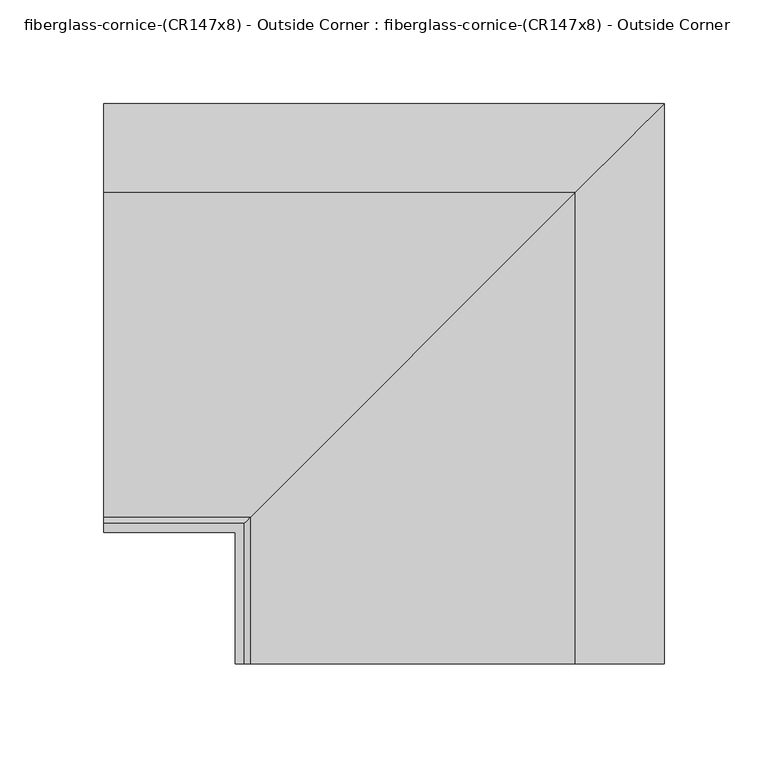
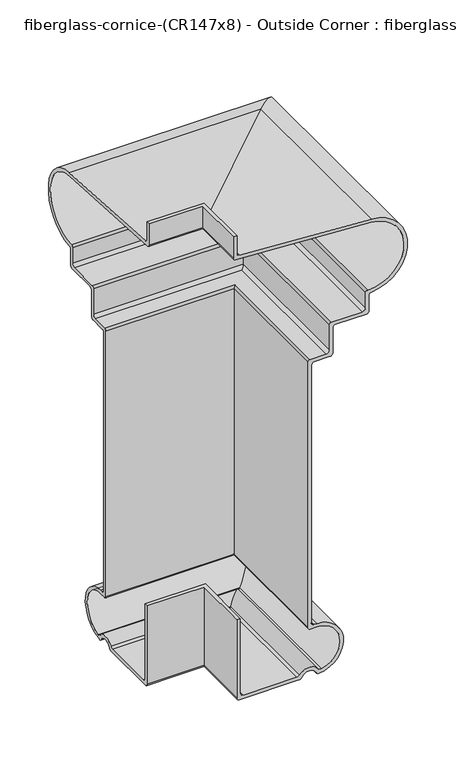
"""IFC4 building model written with IfcOpenShell, lengths in millimetres: furniture geometry, fiberglass-cornice-(CR147x8) - Outside Corner : fiberglass-cornice-(CR147x8) - Outside Corner."""

from ifc_helpers import new_model, si_unit, frame, origin, place, context, project, spatial, polyline, circle_curve, ellipse_curve, source, transform, mapped, element, save
from ifc_brep_helpers import plane_surface, cylinder_surface, revolved_surface, advanced_brep


def fiberglass_cornice_cr147x8_outside_corner_fiberglass_cornice_9eb4e206(model_context):
    return source(origin(), model_context, "Body", "AdvancedBrep", [
        advanced_brep(
        [(-196.9488213, 101.6, 330.1999904), (-196.9488213, 105.7275024, 330.1999904), (-196.9488213, 105.7275024, 307.6054193), (-196.9488213, 108.7122646, 304.6206571), (-196.9488213, 265.6117565, 295.1944431), (-196.9488213, 265.8602187, 203.2958774), (-196.9488213, 262.8901688, 200.3258275), (-196.9488213, 262.8901688, 180.9749641), (-196.9488213, 259.7151783, 177.7999736), (-196.9488213, 223.2025352, 177.7999736), (-196.9488213, 220.027515, 174.6249534), (-196.9488213, 220.027515, 142.8749897), (-196.9488213, 216.8524948, 139.6999694), (-196.9488213, 197.8026119, 139.6999694), (-196.9488213, 194.6275917, 136.5249492), (-196.9488213, 194.6275917, -187.3250119), (-196.9488213, 197.8026119, -190.5000322), (-196.9488213, 200.9775574, -190.5000322), (-196.9488213, 203.5253548, -253.8953323), (-196.9488213, 200.2968418, -252.1216536), (-196.9488213, 182.5782039, -252.1845378), (-196.9488213, 179.709026, -254.0000342), (-196.9488213, 108.9025227, -254.0000342), (-196.9488213, 105.7275024, -250.825014), (-196.9488213, 105.7275024, -152.4000354), (-196.9488213, 109.8550049, -152.4000354), (-196.9488213, 109.8550049, -246.0623668), (-196.9488213, 113.6651722, -249.8725341), (-196.9488213, 177.0065514, -249.8725341), (-196.9488213, 180.1059107, -248.2782681), (-196.9488213, 202.5399239, -247.9272954), (-196.9488213, 206.3031767, -249.3542827), (-196.9488213, 200.9823413, -194.6275346), (-196.9488213, 193.0399624, -194.6275346), (-196.9488213, 190.5000893, -192.0876615), (-196.9488213, 190.5000893, 141.2875988), (-196.9488213, 193.0399624, 143.8274719), (-196.9488213, 212.0900241, 143.8274719), (-196.9488213, 215.9000126, 147.6374604), (-196.9488213, 215.9000126, 179.3873645), (-196.9488213, 218.4401241, 181.9274761), (-196.9488213, 254.9526778, 181.9274761), (-196.9488213, 258.7626663, 185.7374646), (-196.9488213, 258.7626663, 204.7235973), (-196.9488213, 261.4480275, 207.3536327), (-196.9488213, 265.403339, 291.0720445), (-196.9488213, 103.9877621, 300.7695414), (-196.9488213, 101.6, 303.1573035), (-133.3496026, 38.0007813, 330.1999904), (-133.3496026, 38.0007813, 303.1573035), (-130.9618405, 38.0007813, 300.7695414), (30.4537364, 38.0007813, 291.0720445), (26.4984249, 38.0007813, 207.3536327), (23.8130637, 38.0007813, 204.7235973), (23.8130637, 38.0007813, 185.7374646), (20.0030752, 38.0007813, 181.9274761), (-16.5094785, 38.0007813, 181.9274761), (-19.04959, 38.0007813, 179.3873645), (-19.04959, 38.0007813, 147.6374604), (-22.8595785, 38.0007813, 143.8274719), (-41.9096402, 38.0007813, 143.8274719), (-44.4495133, 38.0007813, 141.2875988), (-44.4495133, 38.0007813, -192.0876615), (-41.9096402, 38.0007813, -194.6275346), (-33.9672613, 38.0007813, -194.6275346), (-28.6464259, 38.0007813, -249.3542827), (-32.4096787, 38.0007813, -247.9272954), (-54.8436918, 38.0007813, -248.2782681), (-57.9430512, 38.0007813, -249.8725341), (-121.2844304, 38.0007813, -249.8725341), (-125.0945977, 38.0007813, -246.0623668), (-125.0945977, 38.0007813, -152.4000354), (-129.2221002, 38.0007813, -152.4000354), (-129.2221002, 38.0007813, -250.825014), (-126.0470799, 38.0007813, -254.0000342), (-55.2405766, 38.0007813, -254.0000342), (-52.3713987, 38.0007813, -252.1845378), (-34.6527608, 38.0007813, -252.1216536), (-31.4242478, 38.0007813, -253.8953323), (-33.9720452, 38.0007813, -190.5000322), (-37.1469907, 38.0007813, -190.5000322), (-40.3220109, 38.0007813, -187.3250119), (-40.3220109, 38.0007813, 136.5249492), (-37.1469907, 38.0007813, 139.6999694), (-18.0971078, 38.0007813, 139.6999694), (-14.9220876, 38.0007813, 142.8749897), (-14.9220876, 38.0007813, 174.6249534), (-11.7470673, 38.0007813, 177.7999736), (24.7655758, 38.0007813, 177.7999736), (27.9405662, 38.0007813, 180.9749641), (27.9405662, 38.0007813, 200.3258275), (30.9106161, 38.0007813, 203.2958774), (30.6621539, 38.0007813, 295.1944431), (-126.237338, 38.0007813, 304.6206571), (-129.2221002, 38.0007813, 307.6054193), (-129.2221002, 38.0007813, 330.1999904), (-133.3496026, 101.6, 330.1999904), (-129.2221002, 105.7275024, 330.1999904), (-129.2221002, 105.7275024, 307.6054193), (-126.237338, 108.7122646, 304.6206571), (30.6621539, 265.6117565, 295.1944431), (30.9106161, 265.8602187, 203.2958774), (27.9405662, 262.8901688, 200.3258275), (27.9405662, 262.8901688, 180.9749641), (24.7655758, 259.7151783, 177.7999736), (-11.7470673, 223.2025352, 177.7999736), (-14.9220876, 220.027515, 174.6249534), (-14.9220876, 220.027515, 142.8749897), (-18.0971078, 216.8524948, 139.6999694), (-37.1469907, 197.8026119, 139.6999694), (-40.3220109, 194.6275917, 136.5249492), (-40.3220109, 194.6275917, -187.3250119), (-37.1469907, 197.8026119, -190.5000322), (-33.9720452, 200.9775574, -190.5000322), (-31.4242478, 203.5253548, -253.8953323), (-34.6527608, 200.2968418, -252.1216536), (-52.3713987, 182.5782039, -252.1845378), (-55.2405766, 179.709026, -254.0000342), (-126.0470799, 108.9025227, -254.0000342), (-129.2221002, 105.7275024, -250.825014), (-129.2221002, 105.7275024, -152.4000354), (-125.0945977, 109.8550049, -152.4000354), (-125.0945977, 109.8550049, -246.0623668), (-121.2844304, 113.6651722, -249.8725341), (-57.9430512, 177.0065514, -249.8725341), (-54.8436918, 180.1059107, -248.2782681), (-32.4096787, 202.5399239, -247.9272954), (-28.6464259, 206.3031767, -249.3542827), (-33.9672613, 200.9823413, -194.6275346), (-41.9096402, 193.0399624, -194.6275346), (-44.4495133, 190.5000893, -192.0876615), (-44.4495133, 190.5000893, 141.2875988), (-41.9096402, 193.0399624, 143.8274719), (-22.8595785, 212.0900241, 143.8274719), (-19.04959, 215.9000126, 147.6374604), (-19.04959, 215.9000126, 179.3873645), (-16.5094785, 218.4401241, 181.9274761), (20.0030752, 254.9526778, 181.9274761), (23.8130637, 258.7626663, 185.7374646), (23.8130637, 258.7626663, 204.7235973), (26.4984249, 261.4480275, 207.3536327), (30.4537364, 265.403339, 291.0720445), (-130.9618405, 103.9877621, 300.7695414), (-133.3496026, 101.6, 303.1573035)],
        [
            (0, 1),
            (1, 2),
            (2, 3, circle_curve(frame((-196.9488213, 108.7122646, 307.6054193), z_axis=(1.0, 0.0, 0.0), x_axis=(0.0, 1.0, 0.0)), 2.9847622)),
            (3, 4),
            (4, 5, circle_curve(frame((-196.9488213, 262.8900574, 249.2374658), z_axis=(-1.0, 0.0, 0.0), x_axis=(0.0, 1.0, 0.0)), 46.0375)),
            (5, 6, circle_curve(frame((-196.9488213, 265.8602187, 200.3258275), z_axis=(1.0, 0.0, 0.0), x_axis=(0.0, 1.0, 0.0)), 2.9700499)),
            (6, 7),
            (7, 8, circle_curve(frame((-196.9488213, 259.7151783, 180.9749641), z_axis=(-1.0, 0.0, 0.0), x_axis=(0.0, 1.0, 0.0)), 3.1749904)),
            (8, 9),
            (9, 10, circle_curve(frame((-196.9488213, 223.2025352, 174.6249534), z_axis=(1.0, 0.0, 0.0), x_axis=(0.0, 1.0, 0.0)), 3.1750202)),
            (10, 11),
            (11, 12, circle_curve(frame((-196.9488213, 216.8524948, 142.8749897), z_axis=(-1.0, 0.0, 0.0), x_axis=(0.0, 1.0, 0.0)), 3.1750202)),
            (12, 13),
            (13, 14, circle_curve(frame((-196.9488213, 197.8026119, 136.5249492), z_axis=(1.0, 0.0, 0.0), x_axis=(0.0, 1.0, 0.0)), 3.1750202)),
            (14, 15),
            (15, 16, circle_curve(frame((-196.9488213, 197.8026119, -187.3250119), z_axis=(1.0, 0.0, 0.0), x_axis=(0.0, 1.0, 0.0)), 3.1750202)),
            (16, 17),
            (17, 18, circle_curve(frame((-196.9488213, 200.9775574, -222.248879), z_axis=(-1.0, 0.0, 0.0), x_axis=(0.0, 1.0, 0.0)), 31.7488469)),
            (18, 19, circle_curve(frame((-196.9488213, 203.156346, -250.7418489), z_axis=(-1.0, 0.0, 0.0), x_axis=(0.0, 1.0, 0.0)), 3.175)),
            (19, 20, circle_curve(frame((-196.9488213, 191.4525574, -256.3893115), z_axis=(1.0, 0.0, 0.0), x_axis=(0.0, 1.0, 0.0)), 9.8200953)),
            (20, 21, circle_curve(frame((-196.9488213, 179.709026, -250.8250873), z_axis=(-1.0, 0.0, 0.0), x_axis=(0.0, 1.0, 0.0)), 3.1749469)),
            (21, 22),
            (22, 23, circle_curve(frame((-196.9488213, 108.9025227, -250.825014), z_axis=(-1.0, 0.0, 0.0), x_axis=(0.0, 1.0, 0.0)), 3.1750202)),
            (23, 24),
            (24, 25),
            (25, 26),
            (26, 27, circle_curve(frame((-196.9488213, 113.6651722, -246.0623668), z_axis=(1.0, 0.0, 0.0), x_axis=(0.0, 1.0, 0.0)), 3.8101673)),
            (27, 28),
            (28, 29, circle_curve(frame((-196.9488213, 177.0065514, -246.0627203), z_axis=(1.0, 0.0, 0.0), x_axis=(0.0, 1.0, 0.0)), 3.8098137)),
            (29, 30, circle_curve(frame((-196.9488213, 191.4525574, -256.3893115), z_axis=(-1.0, 0.0, 0.0), x_axis=(0.0, 1.0, 0.0)), 13.9475953)),
            (30, 31, circle_curve(frame((-196.9488213, 205.5686085, -245.6157656), z_axis=(1.0, 0.0, 0.0), x_axis=(0.0, 1.0, 0.0)), 3.81)),
            (31, 32, circle_curve(frame((-196.9488213, 200.9775574, -222.2500342), z_axis=(1.0, 0.0, 0.0), x_axis=(0.0, 1.0, 0.0)), 27.6225)),
            (32, 33),
            (33, 34, circle_curve(frame((-196.9488213, 193.0399624, -192.0876615), z_axis=(-1.0, 0.0, 0.0), x_axis=(0.0, 1.0, 0.0)), 2.5398731)),
            (34, 35),
            (35, 36, circle_curve(frame((-196.9488213, 193.0399624, 141.2875988), z_axis=(-1.0, 0.0, 0.0), x_axis=(0.0, 1.0, 0.0)), 2.5398731)),
            (36, 37),
            (37, 38, circle_curve(frame((-196.9488213, 212.0900241, 147.6374604), z_axis=(1.0, 0.0, 0.0), x_axis=(0.0, 1.0, 0.0)), 3.8099885)),
            (38, 39),
            (39, 40, circle_curve(frame((-196.9488213, 218.4401241, 179.3873645), z_axis=(-1.0, 0.0, 0.0), x_axis=(0.0, 1.0, 0.0)), 2.5401115)),
            (40, 41),
            (41, 42, circle_curve(frame((-196.9488213, 254.9526778, 185.7374646), z_axis=(1.0, 0.0, 0.0), x_axis=(0.0, 1.0, 0.0)), 3.8099885)),
            (42, 43),
            (43, 44, circle_curve(frame((-196.9488213, 261.3932717, 204.7235973), z_axis=(-1.0, 0.0, 0.0), x_axis=(0.0, 1.0, 0.0)), 2.6306053)),
            (44, 45, circle_curve(frame((-196.9488213, 262.8900493, 249.2381449), z_axis=(1.0, 0.0, 0.0), x_axis=(0.0, 1.0, 0.0)), 41.9093281)),
            (45, 46),
            (46, 47, circle_curve(frame((-196.9488213, 103.9877621, 303.1573035), z_axis=(-1.0, 0.0, 0.0), x_axis=(0.0, 1.0, 0.0)), 2.3877621)),
            (47, 0),
            (48, 49),
            (49, 50, circle_curve(frame((-130.9618405, 38.0007813, 303.1573035), z_axis=(0.0, -1.0, 0.0), x_axis=(1.0, 0.0, 0.0)), 2.3877621)),
            (50, 51),
            (51, 52, circle_curve(frame((27.9404467, 38.0007813, 249.2381449), z_axis=(0.0, 1.0, 0.0), x_axis=(1.0, 0.0, 0.0)), 41.9093281)),
            (52, 53, circle_curve(frame((26.4436691, 38.0007813, 204.7235973), z_axis=(0.0, -1.0, 0.0), x_axis=(1.0, 0.0, 0.0)), 2.6306053)),
            (53, 54),
            (54, 55, circle_curve(frame((20.0030752, 38.0007813, 185.7374646), z_axis=(0.0, 1.0, 0.0), x_axis=(1.0, 0.0, 0.0)), 3.8099885)),
            (55, 56),
            (56, 57, circle_curve(frame((-16.5094785, 38.0007813, 179.3873645), z_axis=(0.0, -1.0, 0.0), x_axis=(1.0, 0.0, 0.0)), 2.5401115)),
            (57, 58),
            (58, 59, circle_curve(frame((-22.8595785, 38.0007813, 147.6374604), z_axis=(0.0, 1.0, 0.0), x_axis=(1.0, 0.0, 0.0)), 3.8099885)),
            (59, 60),
            (60, 61, circle_curve(frame((-41.9096402, 38.0007813, 141.2875988), z_axis=(0.0, -1.0, 0.0), x_axis=(1.0, 0.0, 0.0)), 2.5398731)),
            (61, 62),
            (62, 63, circle_curve(frame((-41.9096402, 38.0007813, -192.0876615), z_axis=(0.0, -1.0, 0.0), x_axis=(1.0, 0.0, 0.0)), 2.5398731)),
            (63, 64),
            (64, 65, circle_curve(frame((-33.9720452, 38.0007813, -222.2500342), z_axis=(0.0, 1.0, 0.0), x_axis=(1.0, 0.0, 0.0)), 27.6225)),
            (65, 66, circle_curve(frame((-29.3809941, 38.0007813, -245.6157656), z_axis=(0.0, 1.0, 0.0), x_axis=(1.0, 0.0, 0.0)), 3.81)),
            (66, 67, circle_curve(frame((-43.4970452, 38.0007813, -256.3893115), z_axis=(0.0, -1.0, 0.0), x_axis=(1.0, 0.0, 0.0)), 13.9475953)),
            (67, 68, circle_curve(frame((-57.9430512, 38.0007813, -246.0627203), z_axis=(0.0, 1.0, 0.0), x_axis=(1.0, 0.0, 0.0)), 3.8098137)),
            (68, 69),
            (69, 70, circle_curve(frame((-121.2844304, 38.0007813, -246.0623668), z_axis=(0.0, 1.0, 0.0), x_axis=(1.0, 0.0, 0.0)), 3.8101673)),
            (70, 71),
            (71, 72),
            (72, 73),
            (73, 74, circle_curve(frame((-126.0470799, 38.0007813, -250.825014), z_axis=(0.0, -1.0, 0.0), x_axis=(1.0, 0.0, 0.0)), 3.1750202)),
            (74, 75),
            (75, 76, circle_curve(frame((-55.2405766, 38.0007813, -250.8250873), z_axis=(0.0, -1.0, 0.0), x_axis=(1.0, 0.0, 0.0)), 3.1749469)),
            (76, 77, circle_curve(frame((-43.4970452, 38.0007813, -256.3893115), z_axis=(0.0, 1.0, 0.0), x_axis=(1.0, 0.0, 0.0)), 9.8200953)),
            (77, 78, circle_curve(frame((-31.7932566, 38.0007813, -250.7418489), z_axis=(0.0, -1.0, 0.0), x_axis=(1.0, 0.0, 0.0)), 3.175)),
            (78, 79, circle_curve(frame((-33.9720452, 38.0007813, -222.248879), z_axis=(0.0, -1.0, 0.0), x_axis=(1.0, 0.0, 0.0)), 31.7488469)),
            (79, 80),
            (80, 81, circle_curve(frame((-37.1469907, 38.0007813, -187.3250119), z_axis=(0.0, 1.0, 0.0), x_axis=(1.0, 0.0, 0.0)), 3.1750202)),
            (81, 82),
            (82, 83, circle_curve(frame((-37.1469907, 38.0007813, 136.5249492), z_axis=(0.0, 1.0, 0.0), x_axis=(1.0, 0.0, 0.0)), 3.1750202)),
            (83, 84),
            (84, 85, circle_curve(frame((-18.0971078, 38.0007813, 142.8749897), z_axis=(0.0, -1.0, 0.0), x_axis=(1.0, 0.0, 0.0)), 3.1750202)),
            (85, 86),
            (86, 87, circle_curve(frame((-11.7470673, 38.0007813, 174.6249534), z_axis=(0.0, 1.0, 0.0), x_axis=(1.0, 0.0, 0.0)), 3.1750202)),
            (87, 88),
            (88, 89, circle_curve(frame((24.7655758, 38.0007813, 180.9749641), z_axis=(0.0, -1.0, 0.0), x_axis=(1.0, 0.0, 0.0)), 3.1749904)),
            (89, 90),
            (90, 91, circle_curve(frame((30.9106161, 38.0007813, 200.3258275), z_axis=(0.0, 1.0, 0.0), x_axis=(1.0, 0.0, 0.0)), 2.9700499)),
            (91, 92, circle_curve(frame((27.9404548, 38.0007813, 249.2374658), z_axis=(0.0, -1.0, 0.0), x_axis=(1.0, 0.0, 0.0)), 46.0375)),
            (92, 93),
            (93, 94, circle_curve(frame((-126.237338, 38.0007813, 307.6054193), z_axis=(0.0, 1.0, 0.0), x_axis=(1.0, 0.0, 0.0)), 2.9847622)),
            (94, 95),
            (95, 48),
            (0, 96),
            (96, 48),
            (95, 97),
            (97, 1),
            (97, 98),
            (98, 2),
            (98, 99, ellipse_curve(frame((-126.237338, 108.7122646, 307.6054193), z_axis=(0.7071067811865563, -0.7071067811865387, 0.0), x_axis=(0.7071067811865387, 0.7071067811865565, 0.0)), 4.2210912, 2.9847622)),
            (99, 3),
            (99, 100),
            (100, 4),
            (100, 101, ellipse_curve(frame((27.9404548, 262.8900574, 249.2374658), z_axis=(-0.7071067811865563, 0.7071067811865387, 0.0), x_axis=(-0.7071067811865387, -0.7071067811865565, 0.0)), 65.1068569, 46.0375)),
            (101, 5),
            (101, 102, ellipse_curve(frame((30.9106161, 265.8602187, 200.3258275), z_axis=(0.7071067811865563, -0.7071067811865387, 0.0), x_axis=(0.7071067811865387, 0.7071067811865565, 0.0)), 4.2002849, 2.9700499)),
            (102, 6),
            (102, 103),
            (103, 7),
            (103, 104, ellipse_curve(frame((24.7655758, 259.7151783, 180.9749641), z_axis=(-0.7071067811865563, 0.7071067811865387, 0.0), x_axis=(-0.7071067811865387, -0.7071067811865565, 0.0)), 4.4901145, 3.1749904)),
            (104, 8),
            (104, 88),
            (87, 105),
            (105, 9),
            (105, 106, ellipse_curve(frame((-11.7470673, 223.2025352, 174.6249534), z_axis=(0.7071067811865563, -0.7071067811865387, 0.0), x_axis=(0.7071067811865387, 0.7071067811865565, 0.0)), 4.4901567, 3.1750202)),
            (106, 10),
            (106, 107),
            (107, 11),
            (107, 108, ellipse_curve(frame((-18.0971078, 216.8524948, 142.8749897), z_axis=(-0.7071067811865563, 0.7071067811865387, 0.0), x_axis=(-0.7071067811865387, -0.7071067811865565, 0.0)), 4.4901567, 3.1750202)),
            (108, 12),
            (108, 84),
            (83, 109),
            (109, 13),
            (109, 110, ellipse_curve(frame((-37.1469907, 197.8026119, 136.5249492), z_axis=(0.7071067811865563, -0.7071067811865387, 0.0), x_axis=(0.7071067811865387, 0.7071067811865565, 0.0)), 4.4901567, 3.1750202)),
            (110, 14),
            (110, 111),
            (111, 15),
            (111, 112, ellipse_curve(frame((-37.1469907, 197.8026119, -187.3250119), z_axis=(0.7071067811865563, -0.7071067811865387, 0.0), x_axis=(0.7071067811865387, 0.7071067811865565, 0.0)), 4.4901567, 3.1750202)),
            (112, 16),
            (112, 80),
            (79, 113),
            (113, 17),
            (113, 114, ellipse_curve(frame((-33.9720452, 200.9775574, -222.248879), z_axis=(-0.7071067811865563, 0.7071067811865387, 0.0), x_axis=(-0.7071067811865387, -0.7071067811865565, 0.0)), 44.8996498, 31.7488469)),
            (114, 18),
            (114, 115, ellipse_curve(frame((-31.7932566, 203.156346, -250.7418489), z_axis=(-0.7071067811865563, 0.7071067811865387, 0.0), x_axis=(-0.7071067811865387, -0.7071067811865565, 0.0)), 4.4901281, 3.175)),
            (115, 19),
            (115, 116, ellipse_curve(frame((-43.4970452, 191.4525574, -256.3893115), z_axis=(0.7071067811865563, -0.7071067811865387, 0.0), x_axis=(0.7071067811865387, 0.7071067811865565, 0.0)), 13.8877119, 9.8200953)),
            (116, 20),
            (116, 117, ellipse_curve(frame((-55.2405766, 179.709026, -250.8250873), z_axis=(-0.7071067811865563, 0.7071067811865387, 0.0), x_axis=(-0.7071067811865387, -0.7071067811865565, 0.0)), 4.490053, 3.1749469)),
            (117, 21),
            (117, 75),
            (74, 118),
            (118, 22),
            (118, 119, ellipse_curve(frame((-126.0470799, 108.9025227, -250.825014), z_axis=(-0.7071067811865563, 0.7071067811865387, 0.0), x_axis=(-0.7071067811865387, -0.7071067811865565, 0.0)), 4.4901567, 3.1750202)),
            (119, 23),
            (119, 120),
            (120, 24),
            (120, 72),
            (71, 121),
            (121, 25),
            (121, 122),
            (122, 26),
            (122, 123, ellipse_curve(frame((-121.2844304, 113.6651722, -246.0623668), z_axis=(0.7071067811865563, -0.7071067811865387, 0.0), x_axis=(0.7071067811865387, 0.7071067811865565, 0.0)), 5.3883903, 3.8101673)),
            (123, 27),
            (123, 69),
            (68, 124),
            (124, 28),
            (124, 125, ellipse_curve(frame((-57.9430512, 177.0065514, -246.0627203), z_axis=(0.7071067811865563, -0.7071067811865387, 0.0), x_axis=(0.7071067811865387, 0.7071067811865565, 0.0)), 5.3878903, 3.8098137)),
            (125, 29),
            (125, 126, ellipse_curve(frame((-43.4970452, 191.4525574, -256.3893115), z_axis=(-0.7071067811865563, 0.7071067811865387, 0.0), x_axis=(-0.7071067811865387, -0.7071067811865565, 0.0)), 19.7248784, 13.9475953)),
            (126, 30),
            (126, 127, ellipse_curve(frame((-29.3809941, 205.5686085, -245.6157656), z_axis=(0.7071067811865563, -0.7071067811865387, 0.0), x_axis=(0.7071067811865387, 0.7071067811865565, 0.0)), 5.3881537, 3.81)),
            (127, 31),
            (127, 128, ellipse_curve(frame((-33.9720452, 200.9775574, -222.2500342), z_axis=(0.7071067811865563, -0.7071067811865387, 0.0), x_axis=(0.7071067811865387, 0.7071067811865565, 0.0)), 39.0641141, 27.6225)),
            (128, 32),
            (128, 64),
            (63, 129),
            (129, 33),
            (129, 130, ellipse_curve(frame((-41.9096402, 193.0399624, -192.0876615), z_axis=(-0.7071067811865563, 0.7071067811865387, 0.0), x_axis=(-0.7071067811865387, -0.7071067811865565, 0.0)), 3.591923, 2.5398731)),
            (130, 34),
            (130, 131),
            (131, 35),
            (131, 132, ellipse_curve(frame((-41.9096402, 193.0399624, 141.2875988), z_axis=(-0.7071067811865563, 0.7071067811865387, 0.0), x_axis=(-0.7071067811865387, -0.7071067811865565, 0.0)), 3.591923, 2.5398731)),
            (132, 36),
            (132, 60),
            (59, 133),
            (133, 37),
            (133, 134, ellipse_curve(frame((-22.8595785, 212.0900241, 147.6374604), z_axis=(0.7071067811865563, -0.7071067811865387, 0.0), x_axis=(0.7071067811865387, 0.7071067811865565, 0.0)), 5.3881374, 3.8099885)),
            (134, 38),
            (134, 135),
            (135, 39),
            (135, 136, ellipse_curve(frame((-16.5094785, 218.4401241, 179.3873645), z_axis=(-0.7071067811865563, 0.7071067811865387, 0.0), x_axis=(-0.7071067811865387, -0.7071067811865565, 0.0)), 3.5922602, 2.5401115)),
            (136, 40),
            (136, 56),
            (55, 137),
            (137, 41),
            (137, 138, ellipse_curve(frame((20.0030752, 254.9526778, 185.7374646), z_axis=(0.7071067811865563, -0.7071067811865387, 0.0), x_axis=(0.7071067811865387, 0.7071067811865565, 0.0)), 5.3881374, 3.8099885)),
            (138, 42),
            (138, 139),
            (139, 43),
            (139, 140, ellipse_curve(frame((26.4436691, 261.3932717, 204.7235973), z_axis=(-0.7071067811865563, 0.7071067811865387, 0.0), x_axis=(-0.7071067811865387, -0.7071067811865565, 0.0)), 3.7202378, 2.6306053)),
            (140, 44),
            (140, 141, ellipse_curve(frame((27.9404467, 262.8900493, 249.2381449), z_axis=(0.7071067811865563, -0.7071067811865387, 0.0), x_axis=(0.7071067811865387, 0.7071067811865565, 0.0)), 59.2687402, 41.9093281)),
            (141, 45),
            (141, 142),
            (142, 46),
            (142, 143, ellipse_curve(frame((-130.9618405, 103.9877621, 303.1573035), z_axis=(-0.7071067811865563, 0.7071067811865387, 0.0), x_axis=(-0.7071067811865387, -0.7071067811865565, 0.0)), 3.3768055, 2.3877621)),
            (143, 47),
            (143, 96),
            (94, 98),
            (93, 99),
            (92, 100),
            (91, 101),
            (90, 102),
            (89, 103),
            (86, 106),
            (85, 107),
            (82, 110),
            (81, 111),
            (78, 114),
            (77, 115),
            (76, 116),
            (73, 119),
            (70, 122),
            (67, 125),
            (66, 126),
            (65, 127),
            (62, 130),
            (61, 131),
            (58, 134),
            (57, 135),
            (54, 138),
            (53, 139),
            (52, 140),
            (51, 141),
            (50, 142),
            (49, 143),
        ],
        [
            plane_surface(frame((-196.9488213, 101.6, 330.1999904), z_axis=(-1.0, 0.0, 0.0), x_axis=(0.0, 0.0, 1.0))),
            plane_surface(frame((-133.3496026, 38.0007813, 330.1999904), z_axis=(0.0, -1.0, 0.0), x_axis=(0.0, 0.0, 1.0))),
            plane_surface(frame((-196.9488213, 101.6, 330.1999904), z_axis=(0.0, 0.0, 1.0), x_axis=(1.0, 0.0, 0.0))),
            plane_surface(frame((-196.9488213, 105.7275024, 330.1999904), z_axis=(0.0, 1.0, 0.0), x_axis=(1.0, 0.0, 0.0))),
            revolved_surface(polyline([(-123.25257578847317, 111.6970268, 307.6054193), (-196.9488213, 111.6970268, 307.6054193)]), (-196.9488213, 108.7122646, 307.6054193), (1.0, 0.0, 0.0)),
            plane_surface(frame((-196.9488213, 108.7122646, 304.6206571), z_axis=(0.0, 0.05996991114964002, 0.998200185211716), x_axis=(1.0, 0.0, 0.0))),
            cylinder_surface(frame((-196.9488213, 262.8900574, 249.2374658), z_axis=(-1.0, 0.0, 0.0), x_axis=(0.0, 1.0, 0.0)), 46.0375),
            revolved_surface(polyline([(33.88066603570542, 268.8302686, 200.3258275), (-196.9488213, 268.8302686, 200.3258275)]), (-196.9488213, 265.8602187, 200.3258275), (1.0, 0.0, 0.0)),
            plane_surface(frame((-196.9488213, 262.8901688, 200.3258275), z_axis=(0.0, 1.0, 0.0), x_axis=(1.0, 0.0, 0.0))),
            cylinder_surface(frame((-196.9488213, 259.7151783, 180.9749641), z_axis=(-1.0, 0.0, 0.0), x_axis=(0.0, 1.0, 0.0)), 3.1749904),
            plane_surface(frame((-196.9488213, 259.7151783, 177.7999736), z_axis=(0.0, 0.0, -1.0), x_axis=(1.0, 0.0, 0.0))),
            revolved_surface(polyline([(-8.572047048839835, 226.3775554, 174.6249534), (-196.9488213, 226.3775554, 174.6249534)]), (-196.9488213, 223.2025352, 174.6249534), (1.0, 0.0, 0.0)),
            plane_surface(frame((-196.9488213, 220.027515, 174.6249534), z_axis=(0.0, 1.0, 0.0), x_axis=(1.0, 0.0, 0.0))),
            cylinder_surface(frame((-196.9488213, 216.8524948, 142.8749897), z_axis=(-1.0, 0.0, 0.0), x_axis=(0.0, 1.0, 0.0)), 3.1750202),
            plane_surface(frame((-196.9488213, 216.8524948, 139.6999694), z_axis=(0.0, 0.0, -1.0), x_axis=(1.0, 0.0, 0.0))),
            revolved_surface(polyline([(-33.97197044883984, 200.9776321, 136.5249492), (-196.9488213, 200.9776321, 136.5249492)]), (-196.9488213, 197.8026119, 136.5249492), (1.0, 0.0, 0.0)),
            plane_surface(frame((-196.9488213, 194.6275917, 136.5249492), z_axis=(0.0, 1.0, 0.0), x_axis=(1.0, 0.0, 0.0))),
            revolved_surface(polyline([(-33.97197044883984, 200.9776321, -187.3250119), (-196.9488213, 200.9776321, -187.3250119)]), (-196.9488213, 197.8026119, -187.3250119), (1.0, 0.0, 0.0)),
            plane_surface(frame((-196.9488213, 197.8026119, -190.5000322), z_axis=(0.0, 0.0, 1.0), x_axis=(1.0, 0.0, 0.0))),
            cylinder_surface(frame((-196.9488213, 200.9775574, -222.248879), z_axis=(-1.0, 0.0, 0.0), x_axis=(0.0, 1.0, 0.0)), 31.7488469),
            cylinder_surface(frame((-196.9488213, 203.156346, -250.7418489), z_axis=(-1.0, 0.0, 0.0), x_axis=(0.0, 1.0, 0.0)), 3.175),
            revolved_surface(polyline([(-33.676949940345025, 201.27265269999998, -256.3893115), (-196.9488213, 201.27265269999998, -256.3893115)]), (-196.9488213, 191.4525574, -256.3893115), (1.0, 0.0, 0.0)),
            cylinder_surface(frame((-196.9488213, 179.709026, -250.8250873), z_axis=(-1.0, 0.0, 0.0), x_axis=(0.0, 1.0, 0.0)), 3.1749469),
            plane_surface(frame((-196.9488213, 179.709026, -254.0000342), z_axis=(0.0, 0.0, -1.0), x_axis=(1.0, 0.0, 0.0))),
            cylinder_surface(frame((-196.9488213, 108.9025227, -250.825014), z_axis=(-1.0, 0.0, 0.0), x_axis=(0.0, 1.0, 0.0)), 3.1750202),
            plane_surface(frame((-196.9488213, 105.7275024, -250.825014), z_axis=(0.0, -1.0, 0.0), x_axis=(1.0, 0.0, 0.0))),
            plane_surface(frame((-196.9488213, 105.7275024, -152.4000354), z_axis=(0.0, 0.0, 1.0), x_axis=(1.0, 0.0, 0.0))),
            plane_surface(frame((-196.9488213, 109.8550049, -152.4000354), z_axis=(0.0, 1.0, 0.0), x_axis=(1.0, 0.0, 0.0))),
            revolved_surface(polyline([(-117.47426307919024, 117.4753395, -246.0623668), (-196.9488213, 117.4753395, -246.0623668)]), (-196.9488213, 113.6651722, -246.0623668), (1.0, 0.0, 0.0)),
            plane_surface(frame((-196.9488213, 113.6651722, -249.8725341), z_axis=(0.0, 0.0, 1.0), x_axis=(1.0, 0.0, 0.0))),
            revolved_surface(polyline([(-54.13323743258081, 180.8163651, -246.0627203), (-196.9488213, 180.8163651, -246.0627203)]), (-196.9488213, 177.0065514, -246.0627203), (1.0, 0.0, 0.0)),
            cylinder_surface(frame((-196.9488213, 191.4525574, -256.3893115), z_axis=(-1.0, 0.0, 0.0), x_axis=(0.0, 1.0, 0.0)), 13.9475953),
            revolved_surface(polyline([(-25.570994080654657, 209.3786085, -245.6157656), (-196.9488213, 209.3786085, -245.6157656)]), (-196.9488213, 205.5686085, -245.6157656), (1.0, 0.0, 0.0)),
            revolved_surface(polyline([(-6.349545218845321, 228.6000574, -222.2500342), (-196.9488213, 228.6000574, -222.2500342)]), (-196.9488213, 200.9775574, -222.2500342), (1.0, 0.0, 0.0)),
            plane_surface(frame((-196.9488213, 200.9823413, -194.6275346), z_axis=(0.0, 0.0, -1.0), x_axis=(1.0, 0.0, 0.0))),
            cylinder_surface(frame((-196.9488213, 193.0399624, -192.0876615), z_axis=(-1.0, 0.0, 0.0), x_axis=(0.0, 1.0, 0.0)), 2.5398731),
            plane_surface(frame((-196.9488213, 190.5000893, -192.0876615), z_axis=(0.0, -1.0, 0.0), x_axis=(1.0, 0.0, 0.0))),
            cylinder_surface(frame((-196.9488213, 193.0399624, 141.2875988), z_axis=(-1.0, 0.0, 0.0), x_axis=(0.0, 1.0, 0.0)), 2.5398731),
            plane_surface(frame((-196.9488213, 193.0399624, 143.8274719), z_axis=(0.0, 0.0, 1.0), x_axis=(1.0, 0.0, 0.0))),
            revolved_surface(polyline([(-19.049589999999995, 215.9000126, 147.6374604), (-196.9488213, 215.9000126, 147.6374604)]), (-196.9488213, 212.0900241, 147.6374604), (1.0, 0.0, 0.0)),
            plane_surface(frame((-196.9488213, 215.9000126, 147.6374604), z_axis=(0.0, -1.0, 0.0), x_axis=(1.0, 0.0, 0.0))),
            cylinder_surface(frame((-196.9488213, 218.4401241, 179.3873645), z_axis=(-1.0, 0.0, 0.0), x_axis=(0.0, 1.0, 0.0)), 2.5401115),
            plane_surface(frame((-196.9488213, 218.4401241, 181.9274761), z_axis=(0.0, 0.0, 1.0), x_axis=(1.0, 0.0, 0.0))),
            revolved_surface(polyline([(23.813063700000015, 258.7626663, 185.7374646), (-196.9488213, 258.7626663, 185.7374646)]), (-196.9488213, 254.9526778, 185.7374646), (1.0, 0.0, 0.0)),
            plane_surface(frame((-196.9488213, 258.7626663, 185.7374646), z_axis=(0.0, -1.0, 0.0), x_axis=(1.0, 0.0, 0.0))),
            cylinder_surface(frame((-196.9488213, 261.3932717, 204.7235973), z_axis=(-1.0, 0.0, 0.0), x_axis=(0.0, 1.0, 0.0)), 2.6306053),
            revolved_surface(polyline([(69.84977480780319, 304.79937739999997, 249.2381449), (-196.9488213, 304.79937739999997, 249.2381449)]), (-196.9488213, 262.8900493, 249.2381449), (1.0, 0.0, 0.0)),
            plane_surface(frame((-196.9488213, 265.403339, 291.0720445), z_axis=(0.0, -0.05996969747913793, -0.9982001980485983), x_axis=(1.0, 0.0, 0.0))),
            cylinder_surface(frame((-196.9488213, 103.9877621, 303.1573035), z_axis=(-1.0, 0.0, 0.0), x_axis=(0.0, 1.0, 0.0)), 2.3877621),
            plane_surface(frame((-196.9488213, 101.6, 303.1573035), z_axis=(0.0, -1.0, 0.0), x_axis=(1.0, 0.0, 0.0))),
            plane_surface(frame((-129.2221002, 105.7275024, 330.1999904), z_axis=(1.0, 0.0, 0.0), x_axis=(0.0, -1.0, 0.0))),
            revolved_surface(polyline([(-123.25257579999999, 38.0007813, 307.6054193), (-123.25257579999999, 111.6970268115269, 307.6054193)]), (-126.237338, 101.6, 307.6054193), (0.0, -1.0, 0.0)),
            plane_surface(frame((-126.237338, 108.7122646, 304.6206571), z_axis=(0.05996991114964003, 0.0, 0.998200185211716), x_axis=(0.0, -1.0, 0.0))),
            cylinder_surface(frame((27.9404548, 101.6, 249.2374658), z_axis=(0.0, 1.0, 0.0), x_axis=(1.0, 0.0, 0.0)), 46.0375),
            revolved_surface(polyline([(33.880666, 38.0007813, 200.3258275), (33.880666, 268.8302686357055, 200.3258275)]), (30.9106161, 101.6, 200.3258275), (0.0, -1.0, 0.0)),
            plane_surface(frame((27.9405662, 262.8901688, 200.3258275), z_axis=(1.0, 0.0, 0.0), x_axis=(0.0, -1.0, 0.0))),
            cylinder_surface(frame((24.7655758, 101.6, 180.9749641), z_axis=(0.0, 1.0, 0.0), x_axis=(1.0, 0.0, 0.0)), 3.1749904),
            revolved_surface(polyline([(-8.572047099999999, 38.0007813, 174.6249534), (-8.572047099999999, 226.37755545116025, 174.6249534)]), (-11.7470673, 101.6, 174.6249534), (0.0, -1.0, 0.0)),
            plane_surface(frame((-14.9220876, 220.027515, 174.6249534), z_axis=(1.0, 0.0, 0.0), x_axis=(0.0, -1.0, 0.0))),
            cylinder_surface(frame((-18.0971078, 101.6, 142.8749897), z_axis=(0.0, 1.0, 0.0), x_axis=(1.0, 0.0, 0.0)), 3.1750202),
            revolved_surface(polyline([(-33.971970500000005, 38.0007813, 136.5249492), (-33.971970500000005, 200.97763215116024, 136.5249492)]), (-37.1469907, 101.6, 136.5249492), (0.0, -1.0, 0.0)),
            plane_surface(frame((-40.3220109, 194.6275917, 136.5249492), z_axis=(1.0, 0.0, 0.0), x_axis=(0.0, -1.0, 0.0))),
            revolved_surface(polyline([(-33.971970500000005, 38.0007813, -187.3250119), (-33.971970500000005, 200.97763215116024, -187.3250119)]), (-37.1469907, 101.6, -187.3250119), (0.0, -1.0, 0.0)),
            cylinder_surface(frame((-33.9720452, 101.6, -222.248879), z_axis=(0.0, 1.0, 0.0), x_axis=(1.0, 0.0, 0.0)), 31.7488469),
            cylinder_surface(frame((-31.7932566, 101.6, -250.7418489), z_axis=(0.0, 1.0, 0.0), x_axis=(1.0, 0.0, 0.0)), 3.175),
            revolved_surface(polyline([(-33.676949900000004, 38.0007813, -256.3893115), (-33.676949900000004, 201.27265265965522, -256.3893115)]), (-43.4970452, 101.6, -256.3893115), (0.0, -1.0, 0.0)),
            cylinder_surface(frame((-55.2405766, 101.6, -250.8250873), z_axis=(0.0, 1.0, 0.0), x_axis=(1.0, 0.0, 0.0)), 3.1749469),
            cylinder_surface(frame((-126.0470799, 101.6, -250.825014), z_axis=(0.0, 1.0, 0.0), x_axis=(1.0, 0.0, 0.0)), 3.1750202),
            plane_surface(frame((-129.2221002, 105.7275024, -250.825014), z_axis=(-1.0, 0.0, 0.0), x_axis=(0.0, -1.0, 0.0))),
            plane_surface(frame((-125.0945977, 109.8550049, -152.4000354), z_axis=(1.0, 0.0, 0.0), x_axis=(0.0, -1.0, 0.0))),
            revolved_surface(polyline([(-117.4742631, 38.0007813, -246.0623668), (-117.4742631, 117.47533952080987, -246.0623668)]), (-121.2844304, 101.6, -246.0623668), (0.0, -1.0, 0.0)),
            revolved_surface(polyline([(-54.1332375, 38.0007813, -246.0627203), (-54.1332375, 180.8163651674193, -246.0627203)]), (-57.9430512, 101.6, -246.0627203), (0.0, -1.0, 0.0)),
            cylinder_surface(frame((-43.4970452, 101.6, -256.3893115), z_axis=(0.0, 1.0, 0.0), x_axis=(1.0, 0.0, 0.0)), 13.9475953),
            revolved_surface(polyline([(-25.5709941, 38.0007813, -245.6157656), (-25.5709941, 209.37860851934545, -245.6157656)]), (-29.3809941, 101.6, -245.6157656), (0.0, -1.0, 0.0)),
            revolved_surface(polyline([(-6.349545199999998, 38.0007813, -222.2500342), (-6.349545199999998, 228.60005738115535, -222.2500342)]), (-33.9720452, 101.6, -222.2500342), (0.0, -1.0, 0.0)),
            cylinder_surface(frame((-41.9096402, 101.6, -192.0876615), z_axis=(0.0, 1.0, 0.0), x_axis=(1.0, 0.0, 0.0)), 2.5398731),
            plane_surface(frame((-44.4495133, 190.5000893, -192.0876615), z_axis=(-1.0, 0.0, 0.0), x_axis=(0.0, -1.0, 0.0))),
            cylinder_surface(frame((-41.9096402, 101.6, 141.2875988), z_axis=(0.0, 1.0, 0.0), x_axis=(1.0, 0.0, 0.0)), 2.5398731),
            revolved_surface(polyline([(-19.049590000000002, 38.0007813, 147.6374604), (-19.049590000000002, 215.9000126, 147.6374604)]), (-22.8595785, 101.6, 147.6374604), (0.0, -1.0, 0.0)),
            plane_surface(frame((-19.04959, 215.9000126, 147.6374604), z_axis=(-1.0, 0.0, 0.0), x_axis=(0.0, -1.0, 0.0))),
            cylinder_surface(frame((-16.5094785, 101.6, 179.3873645), z_axis=(0.0, 1.0, 0.0), x_axis=(1.0, 0.0, 0.0)), 2.5401115),
            revolved_surface(polyline([(23.8130637, 38.0007813, 185.7374646), (23.8130637, 258.7626663, 185.7374646)]), (20.0030752, 101.6, 185.7374646), (0.0, -1.0, 0.0)),
            plane_surface(frame((23.8130637, 258.7626663, 185.7374646), z_axis=(-1.0, 0.0, 0.0), x_axis=(0.0, -1.0, 0.0))),
            cylinder_surface(frame((26.4436691, 101.6, 204.7235973), z_axis=(0.0, 1.0, 0.0), x_axis=(1.0, 0.0, 0.0)), 2.6306053),
            revolved_surface(polyline([(69.8497748, 38.0007813, 249.2381449), (69.8497748, 304.7993774078043, 249.2381449)]), (27.9404467, 101.6, 249.2381449), (0.0, -1.0, 0.0)),
            plane_surface(frame((30.4537364, 265.403339, 291.0720445), z_axis=(-0.05996969747913794, 0.0, -0.9982001980485983), x_axis=(0.0, -1.0, 0.0))),
            cylinder_surface(frame((-130.9618405, 101.6, 303.1573035), z_axis=(0.0, 1.0, 0.0), x_axis=(1.0, 0.0, 0.0)), 2.3877621),
            plane_surface(frame((-133.3496026, 101.6, 303.1573035), z_axis=(-1.0, 0.0, 0.0), x_axis=(0.0, -1.0, 0.0))),
        ],
        [
            (0, [[1, 2, 3, 4, 5, 6, 7, 8, 9, 10, 11, 12, 13, 14, 15, 16, 17, 18, 19, 20, 21, 22, 23, 24, 25, 26, 27, 28, 29, 30, 31, 32, 33, 34, 35, 36, 37, 38, 39, 40, 41, 42, 43, 44, 45, 46, 47, 48]]),
            (1, [[49, 50, 51, 52, 53, 54, 55, 56, 57, 58, 59, 60, 61, 62, 63, 64, 65, 66, 67, 68, 69, 70, 71, 72, 73, 74, 75, 76, 77, 78, 79, 80, 81, 82, 83, 84, 85, 86, 87, 88, 89, 90, 91, 92, 93, 94, 95, 96]]),
            (2, [[-1, 97, 98, -96, 99, 100]]),
            (3, [[-2, -100, 101, 102]]),
            (4, [[-3, -102, 103, 104]]),
            (5, [[-4, -104, 105, 106]]),
            (6, [[-5, -106, 107, 108]]),
            (7, [[-6, -108, 109, 110]]),
            (8, [[-7, -110, 111, 112]]),
            (9, [[-8, -112, 113, 114]]),
            (10, [[-9, -114, 115, -88, 116, 117]]),
            (11, [[-10, -117, 118, 119]]),
            (12, [[-11, -119, 120, 121]]),
            (13, [[-12, -121, 122, 123]]),
            (14, [[-13, -123, 124, -84, 125, 126]]),
            (15, [[-14, -126, 127, 128]]),
            (16, [[-15, -128, 129, 130]]),
            (17, [[-16, -130, 131, 132]]),
            (18, [[-17, -132, 133, -80, 134, 135]]),
            (19, [[-18, -135, 136, 137]]),
            (20, [[-19, -137, 138, 139]]),
            (21, [[-20, -139, 140, 141]]),
            (22, [[-21, -141, 142, 143]]),
            (23, [[-22, -143, 144, -75, 145, 146]]),
            (24, [[-23, -146, 147, 148]]),
            (25, [[-24, -148, 149, 150]]),
            (26, [[-25, -150, 151, -72, 152, 153]]),
            (27, [[-26, -153, 154, 155]]),
            (28, [[-27, -155, 156, 157]]),
            (29, [[-28, -157, 158, -69, 159, 160]]),
            (30, [[-29, -160, 161, 162]]),
            (31, [[-30, -162, 163, 164]]),
            (32, [[-31, -164, 165, 166]]),
            (33, [[-32, -166, 167, 168]]),
            (34, [[-33, -168, 169, -64, 170, 171]]),
            (35, [[-34, -171, 172, 173]]),
            (36, [[-35, -173, 174, 175]]),
            (37, [[-36, -175, 176, 177]]),
            (38, [[-37, -177, 178, -60, 179, 180]]),
            (39, [[-38, -180, 181, 182]]),
            (40, [[-39, -182, 183, 184]]),
            (41, [[-40, -184, 185, 186]]),
            (42, [[-41, -186, 187, -56, 188, 189]]),
            (43, [[-42, -189, 190, 191]]),
            (44, [[-43, -191, 192, 193]]),
            (45, [[-44, -193, 194, 195]]),
            (46, [[-45, -195, 196, 197]]),
            (47, [[-46, -197, 198, 199]]),
            (48, [[-47, -199, 200, 201]]),
            (49, [[-48, -201, 202, -97]]),
            (50, [[-101, -99, -95, 203]]),
            (51, [[-103, -203, -94, 204]]),
            (52, [[-105, -204, -93, 205]]),
            (53, [[-107, -205, -92, 206]]),
            (54, [[-109, -206, -91, 207]]),
            (55, [[-111, -207, -90, 208]]),
            (56, [[-113, -208, -89, -115]]),
            (57, [[-118, -116, -87, 209]]),
            (58, [[-120, -209, -86, 210]]),
            (59, [[-122, -210, -85, -124]]),
            (60, [[-127, -125, -83, 211]]),
            (61, [[-129, -211, -82, 212]]),
            (62, [[-131, -212, -81, -133]]),
            (63, [[-136, -134, -79, 213]]),
            (64, [[-138, -213, -78, 214]]),
            (65, [[-140, -214, -77, 215]]),
            (66, [[-142, -215, -76, -144]]),
            (67, [[-147, -145, -74, 216]]),
            (68, [[-149, -216, -73, -151]]),
            (69, [[-154, -152, -71, 217]]),
            (70, [[-156, -217, -70, -158]]),
            (71, [[-161, -159, -68, 218]]),
            (72, [[-163, -218, -67, 219]]),
            (73, [[-165, -219, -66, 220]]),
            (74, [[-167, -220, -65, -169]]),
            (75, [[-172, -170, -63, 221]]),
            (76, [[-174, -221, -62, 222]]),
            (77, [[-176, -222, -61, -178]]),
            (78, [[-181, -179, -59, 223]]),
            (79, [[-183, -223, -58, 224]]),
            (80, [[-185, -224, -57, -187]]),
            (81, [[-190, -188, -55, 225]]),
            (82, [[-192, -225, -54, 226]]),
            (83, [[-194, -226, -53, 227]]),
            (84, [[-196, -227, -52, 228]]),
            (85, [[-198, -228, -51, 229]]),
            (86, [[-200, -229, -50, 230]]),
            (87, [[-202, -230, -49, -98]]),
        ],
    ),
    ])


if __name__ == "__main__":
    model = new_model("IFC4")
    model_context = context("Model", 3, world=origin())
    ifc_project = project(units=[si_unit("LENGTHUNIT", "METRE", prefix="MILLI")], contexts=[model_context])
    site = spatial("IfcSite", under=ifc_project)
    building = spatial("IfcBuilding", under=site)
    placement = place(None, origin())
    fiberglass_cornice_cr147x8_outside_corner_fiberglass_cornice_shape = fiberglass_cornice_cr147x8_outside_corner_fiberglass_cornice_9eb4e206(model_context)
    element("IfcFurniture", 1, ObjectType="fiberglass-cornice-(CR147x8) - Outside Corner : fiberglass-cornice-(CR147x8) - Outside Corner", at=placement, inside=building, context=model_context, shape_type="MappedRepresentation", body=[
        mapped(fiberglass_cornice_cr147x8_outside_corner_fiberglass_cornice_shape, transform((0.0, 0.0, 0.0), x_axis=(1.0, 0.0, 0.0), y_axis=(0.0, 1.0, 0.0), z_axis=(0.0, 0.0, 1.0))),
    ])
    save(model, "model.ifc")
